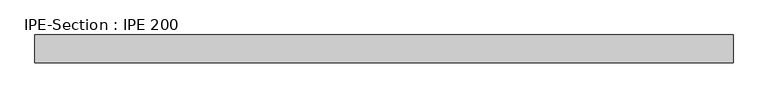
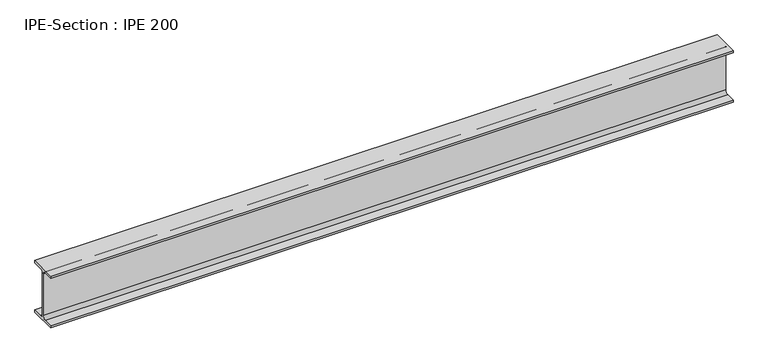
"""IFC4 building model written with IfcOpenShell, lengths in millimetres: beam geometry, IPE-Section : IPE 200."""

from ifc_helpers import new_model, si_unit, point, frame, frame_2d, origin, place, context, project, spatial, polyline, circle_curve, trimmed, segment, composite_curve, outline, extrude, source, transform, mapped, element, save


def ipe_section_ipe_200_b95b4d28(model_context):
    return source(origin(), model_context, "Body", "SweptSolid", [
        extrude(outline(composite_curve([segment(polyline([(50.0, -91.5), (50.0, -100.0), (-50.0, -100.0), (-50.0, -91.5), (-14.8, -91.5)]), True, "CONTINUOUS"), segment(trimmed(circle_curve(frame_2d((-14.8, -79.5)), 12.0), [point((-14.8, -91.5))], [point((-2.8, -79.5))], True, "CARTESIAN"), True, "CONTINUOUS"), segment(polyline([(-2.8, -79.5), (-2.8, 79.5)]), True, "CONTINUOUS"), segment(trimmed(circle_curve(frame_2d((-14.8, 79.5)), 12.0), [point((-2.8, 79.5))], [point((-14.8, 91.5))], True, "CARTESIAN"), True, "CONTINUOUS"), segment(polyline([(-14.8, 91.5), (-50.0, 91.5), (-50.0, 100.0), (50.0, 100.0), (50.0, 91.5), (14.8, 91.5)]), True, "CONTINUOUS"), segment(trimmed(circle_curve(frame_2d((14.8, 79.5)), 12.0), [point((14.8, 91.5))], [point((2.8, 79.5))], True, "CARTESIAN"), True, "CONTINUOUS"), segment(polyline([(2.8, 79.5), (2.8, -79.5)]), True, "CONTINUOUS"), segment(trimmed(circle_curve(frame_2d((14.8, -79.5)), 12.0), [point((2.8, -79.5))], [point((14.8, -91.5))], True, "CARTESIAN"), True, "CONTINUOUS"), segment(polyline([(14.8, -91.5), (50.0, -91.5)]), True, "CONTINUOUS")], self_intersect=False)), frame((-1210.1754588, 0.0, 0.0), z_axis=(1.0, 0.0, 0.0), x_axis=(0.0, 1.0, 0.0)), (0.0, 0.0, 1.0), 2492.7198709),
    ])


if __name__ == "__main__":
    model = new_model("IFC4")
    model_context = context("Model", 3, world=origin())
    ifc_project = project(units=[si_unit("LENGTHUNIT", "METRE", prefix="MILLI")], contexts=[model_context])
    site = spatial("IfcSite", under=ifc_project)
    building = spatial("IfcBuilding", under=site)
    placement = place(None, origin())
    ipe_section_ipe_200_shape = ipe_section_ipe_200_b95b4d28(model_context)
    element("IfcBeam", 1, ObjectType="IPE-Section : IPE 200", at=placement, inside=building, context=model_context, shape_type="MappedRepresentation", body=[
        mapped(ipe_section_ipe_200_shape, transform((0.0, 0.0, 0.0), x_axis=(1.0, 0.0, 0.0), y_axis=(0.0, 1.0, 0.0), z_axis=(0.0, 0.0, 1.0))),
    ])
    save(model, "model.ifc")
